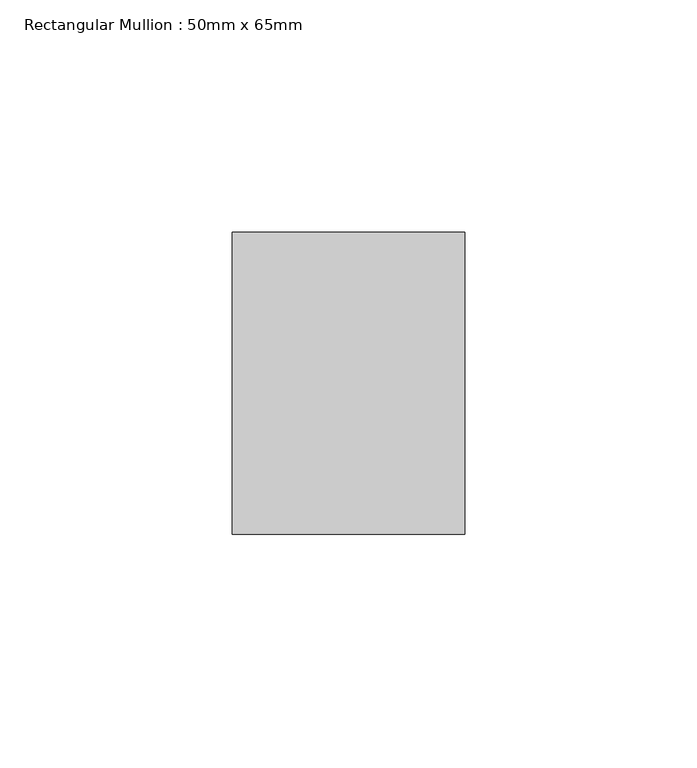
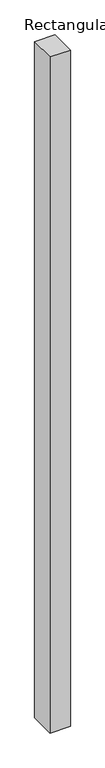
"""IFC4 building model written with IfcOpenShell, lengths in millimetres: member geometry, Rectangular Mullion : 50mm x 65mm."""

from ifc_helpers import new_model, si_unit, frame, origin, place, context, project, spatial, polyline, outline, extrude, source, transform, mapped, element, save


def rectangular_mullion_50mm_x_65mm_95d08f70(model_context):
    return source(origin(), model_context, "Body", "SweptSolid", [
        extrude(outline(polyline([(25.0, 32.5), (25.0, -32.5), (-25.0, -32.5), (-25.0, 32.5), (25.0, 32.5)])), frame((0.0, 0.0, -1754.4949006), z_axis=(0.0, 0.0, 1.0), x_axis=(1.0, 0.0, 0.0)), (0.0, 0.0, 1.0), 1754.4949006),
    ])


if __name__ == "__main__":
    model = new_model("IFC4")
    model_context = context("Model", 3, world=origin())
    ifc_project = project(units=[si_unit("LENGTHUNIT", "METRE", prefix="MILLI")], contexts=[model_context])
    site = spatial("IfcSite", under=ifc_project)
    building = spatial("IfcBuilding", under=site)
    placement = place(None, origin())
    rectangular_mullion_50mm_x_65mm_shape = rectangular_mullion_50mm_x_65mm_95d08f70(model_context)
    element("IfcMember", 1, ObjectType="Rectangular Mullion : 50mm x 65mm", at=placement, inside=building, context=model_context, shape_type="MappedRepresentation", body=[
        mapped(rectangular_mullion_50mm_x_65mm_shape, transform((0.0, 0.0, 0.0), x_axis=(1.0, 0.0, 0.0), y_axis=(0.0, 1.0, 0.0), z_axis=(0.0, 0.0, 1.0))),
    ])
    save(model, "model.ifc")
